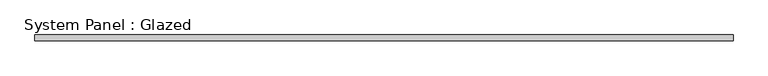
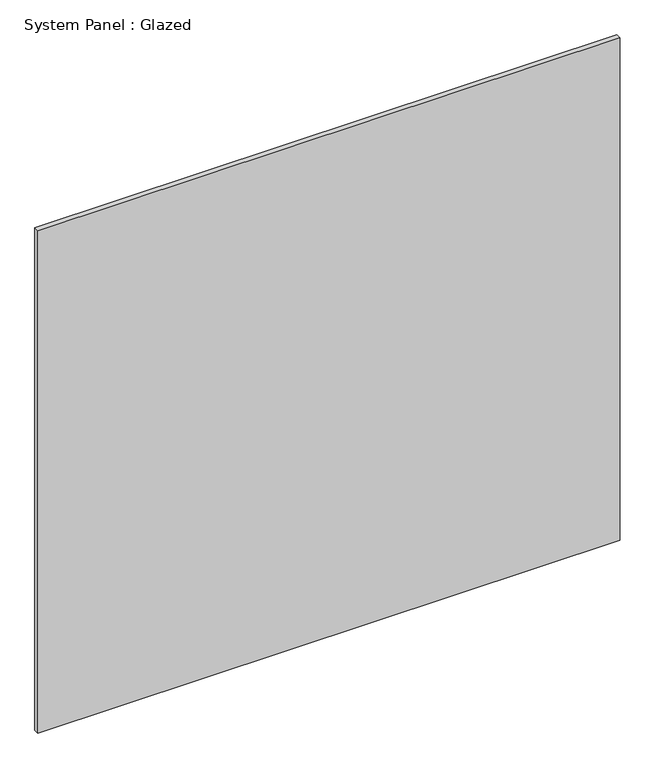
"""IFC4 building model written with IfcOpenShell, lengths in millimetres: plate geometry, System Panel : Glazed."""

from ifc_helpers import new_model, si_unit, origin, origin_with_axes, place, context, project, spatial, polyline, outline, extrude, source, transform, mapped, element, save


def system_panel_glazed_f4dd7dff(model_context):
    return source(origin(), model_context, "Body", "SweptSolid", [
        extrude(outline(polyline([(1474.8391892, 24.5), (-1474.8391892, 24.5), (-1474.8391892, 49.5), (1474.8391892, 49.5), (1474.8391892, 24.5)])), origin_with_axes(), (0.0, 0.0, 1.0), 2690.0),
    ])


if __name__ == "__main__":
    model = new_model("IFC4")
    model_context = context("Model", 3, world=origin())
    ifc_project = project(units=[si_unit("LENGTHUNIT", "METRE", prefix="MILLI")], contexts=[model_context])
    site = spatial("IfcSite", under=ifc_project)
    building = spatial("IfcBuilding", under=site)
    placement = place(None, origin())
    system_panel_glazed_shape = system_panel_glazed_f4dd7dff(model_context)
    element("IfcPlate", 1, ObjectType="System Panel : Glazed", at=placement, inside=building, context=model_context, shape_type="MappedRepresentation", body=[
        mapped(system_panel_glazed_shape, transform((0.0, 0.0, 0.0), x_axis=(1.0, 0.0, 0.0), y_axis=(0.0, 1.0, 0.0), z_axis=(0.0, 0.0, 1.0))),
    ])
    save(model, "model.ifc")
